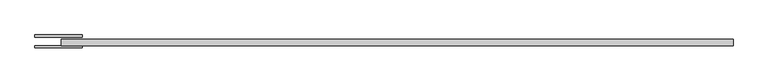
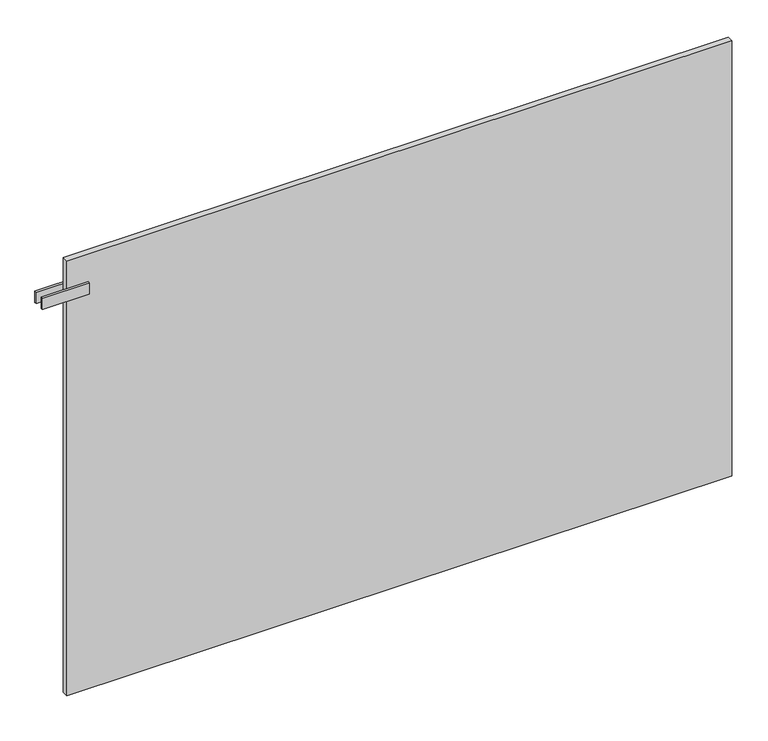
"""IFC4 building model written with IfcOpenShell, lengths in millimetres: plate geometry."""

from ifc_helpers import new_model, si_unit, frame, origin, origin_with_axes, place, context, project, spatial, polyline, outline, extrude, source, transform, mapped, element, save


def plate_d7bcdc49(model_context):
    return source(origin(), model_context, "Body", "SweptSolid", [
        extrude(outline(polyline([(-662.5000001, -43.75), (-762.5000001, -43.75), (-762.5000001, -38.75), (-662.5000001, -38.75), (-662.5000001, -43.75)])), frame((0.0, 0.0, 891.5), z_axis=(0.0, 0.0, 1.0), x_axis=(1.0, 0.0, 0.0)), (0.0, 0.0, 1.0), 25.0),
        extrude(outline(polyline([(-662.5000001, -16.25), (-662.5000001, -21.25), (-762.5000001, -21.25), (-762.5000001, -16.25), (-662.5000001, -16.25)])), frame((0.0, 0.0, 891.5), z_axis=(0.0, 0.0, 1.0), x_axis=(1.0, 0.0, 0.0)), (0.0, 0.0, 1.0), 25.0),
        extrude(outline(polyline([(707.5000001, -25.25), (707.5000001, -38.75), (-707.5000001, -38.75), (-707.5000001, -25.25), (707.5000001, -25.25)])), origin_with_axes(), (0.0, 0.0, 1.0), 979.0),
    ])


if __name__ == "__main__":
    model = new_model("IFC4")
    model_context = context("Model", 3, world=origin())
    ifc_project = project(units=[si_unit("LENGTHUNIT", "METRE", prefix="MILLI")], contexts=[model_context])
    site = spatial("IfcSite", under=ifc_project)
    building = spatial("IfcBuilding", under=site)
    placement = place(None, origin())
    plate_shape = plate_d7bcdc49(model_context)
    element("IfcPlate", 1, at=placement, inside=building, context=model_context, shape_type="MappedRepresentation", body=[
        mapped(plate_shape, transform((0.0, 0.0, 0.0), x_axis=(1.0, 0.0, 0.0), y_axis=(0.0, 1.0, 0.0), z_axis=(0.0, 0.0, 1.0))),
    ])
    save(model, "model.ifc")
